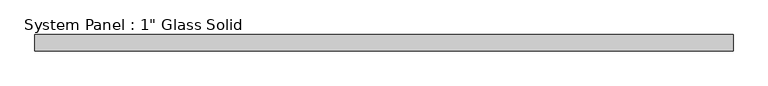
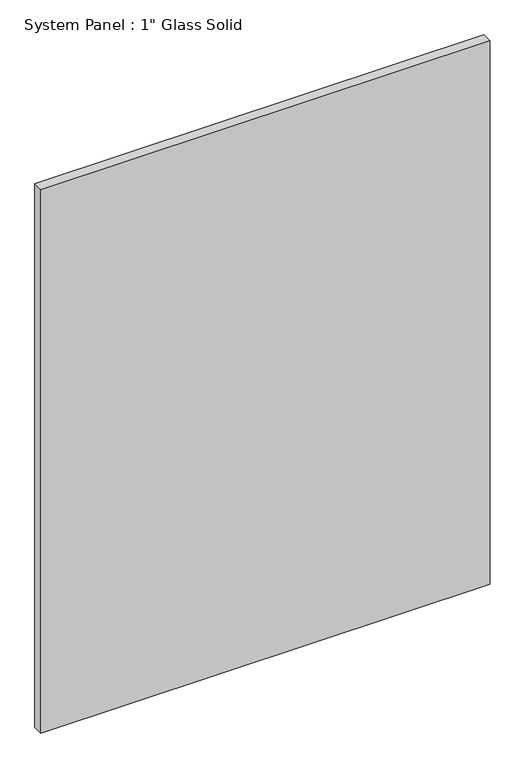
"""IFC4 building model written with IfcOpenShell, lengths in millimetres: plate geometry."""

from ifc_helpers import new_model, si_unit, origin, origin_with_axes, place, context, project, spatial, polyline, outline, extrude, source, transform, mapped, element, save


def plate_05fb3df9(model_context):
    return source(origin(), model_context, "Body", "SweptSolid", [
        extrude(outline(polyline([(548.6970691, -12.7), (-548.6970691, -12.7), (-548.6970691, 12.7), (548.6970691, 12.7), (548.6970691, -12.7)])), origin_with_axes(), (0.0, 0.0, 1.0), 1403.2394027),
    ])


if __name__ == "__main__":
    model = new_model("IFC4")
    model_context = context("Model", 3, world=origin())
    ifc_project = project(units=[si_unit("LENGTHUNIT", "METRE", prefix="MILLI")], contexts=[model_context])
    site = spatial("IfcSite", under=ifc_project)
    building = spatial("IfcBuilding", under=site)
    placement = place(None, origin())
    plate_shape = plate_05fb3df9(model_context)
    element("IfcPlate", 1, ObjectType="System Panel : 1\" Glass Solid", at=placement, inside=building, context=model_context, shape_type="MappedRepresentation", body=[
        mapped(plate_shape, transform((0.0, 0.0, 0.0), x_axis=(1.0, 0.0, 0.0), y_axis=(0.0, 1.0, 0.0), z_axis=(0.0, 0.0, 1.0))),
    ])
    save(model, "model.ifc")
